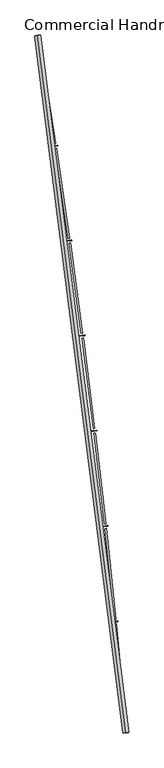
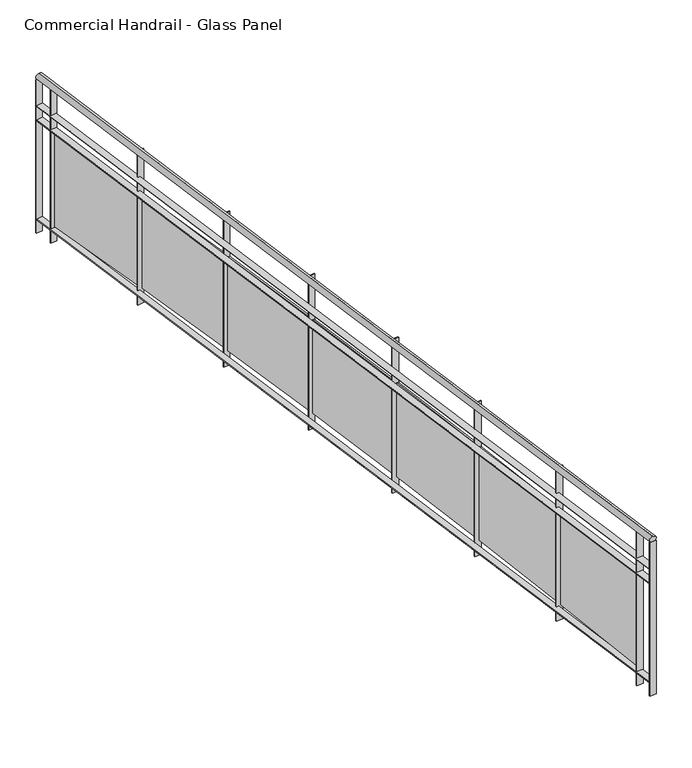
"""IFC4 building model written with IfcOpenShell, lengths in millimetres: railing geometry, Commercial Handrail - Glass Panel."""

from ifc_helpers import new_model, si_unit, point, frame, origin, place, context, project, spatial, polyline, circle_curve, ellipse_curve, trimmed, outline, extrude, source, transform, mapped, element, save
from ifc_brep_helpers import plane_surface, cylinder_surface, revolved_surface, advanced_brep


def commercial_handrail_glass_panel_9523c268(model_context):
    return source(origin(), model_context, "Body", "SolidModel", [
        advanced_brep(
        [(182571.9295754, -52879.5364282, 19682.5), (181834.8110467, -47067.1917957, 19682.5), (181834.8110467, -47067.1917957, 19717.5), (182571.9295754, -52879.5364282, 19717.5)],
        [
            (0, 1, circle_curve(frame((104368.4569212, -59844.3474174, 19682.5), z_axis=(0.0, 0.0, 1.0), x_axis=(0.9866690945138685, 0.16273935581531185, 0.0)), 78513.0035554)),
            (1, 2, ellipse_curve(frame((181834.8110467, -47067.1917957, 19700.0), z_axis=(0.16273935581530558, -0.9866690945138697, 0.0), x_axis=(-0.9866690945138695, -0.16273935581530555, 0.0)), 25.0, 17.5)),
            (2, 3, circle_curve(frame((104368.4569212, -59844.3474174, 19717.5), z_axis=(0.0, 0.0, -1.0), x_axis=(0.9866690945138685, 0.16273935581531185, 0.0)), 78513.0035554)),
            (3, 0, ellipse_curve(frame((182571.9295754, -52879.5364282, 19700.0), z_axis=(-0.08870901218759285, 0.9960575842574071, 0.0), x_axis=(-0.9960575842574071, -0.08870901218759285, 0.0)), 25.0, 17.5)),
            (2, 1, ellipse_curve(frame((181834.8110467, -47067.1917957, 19700.0), z_axis=(0.16273935581530558, -0.9866690945138697, 0.0), x_axis=(-0.9866690945138695, -0.16273935581530555, 0.0)), 25.0, 17.5)),
            (0, 3, ellipse_curve(frame((182571.9295754, -52879.5364282, 19700.0), z_axis=(-0.08870901218759285, 0.9960575842574071, 0.0), x_axis=(-0.9960575842574071, -0.08870901218759285, 0.0)), 25.0, 17.5)),
        ],
        [
            revolved_surface(trimmed(ellipse_curve(frame((181834.8110467, -47067.1917957, 19700.0), z_axis=(-0.16273935581531185, 0.9866690945138685, 0.0), x_axis=(0.0, 0.0, -1.0)), 17.5, 25.0), [point((181834.8110467, -47067.1917957, 19717.5))], [point((181834.8110467, -47067.1917957, 19682.5))], True, "CARTESIAN"), (104368.4569212, -59844.3474174, 19700.0), (0.0, 0.0, -1.0)),
            revolved_surface(trimmed(ellipse_curve(frame((181834.8110467, -47067.1917957, 19700.0), z_axis=(-0.16273935581531185, 0.9866690945138685, 0.0), x_axis=(0.0, 0.0, -1.0)), 17.5, 25.0), [point((181834.8110467, -47067.1917957, 19682.5))], [point((181834.8110467, -47067.1917957, 19717.5))], True, "CARTESIAN"), (104368.4569212, -59844.3474174, 19700.0), (0.0, 0.0, -1.0)),
            plane_surface(frame((181834.8110467, -47067.1917957, 19700.0), z_axis=(-0.16273935581531188, 0.9866690945138686, 0.0), x_axis=(0.9866690945138686, 0.16273935581531188, 0.0))),
            plane_surface(frame((182571.9295754, -52879.5364282, 19700.0), z_axis=(0.08870901218759289, -0.9960575842574071, 0.0), x_axis=(0.9960575842574071, 0.08870901218759289, 0.0))),
        ],
        [
            (0, [[1, 2, 3, 4]]),
            (1, [[-3, 5, -1, 6]]),
            (2, [[-2, -5]]),
            (3, [[-6, -4]]),
        ],
    ),
        advanced_brep(
        [(182594.340871, -52877.5404754, 19500.0), (181857.0111014, -47063.5301602, 19500.0), (181812.6109921, -47070.8534312, 19500.0), (182549.5182797, -52881.5323809, 19500.0), (182594.340871, -52877.5404754, 19494.0), (181857.0111014, -47063.5301602, 19494.0), (182549.5182797, -52881.5323809, 19494.0), (181812.6109921, -47070.8534312, 19494.0)],
        [
            (0, 1, circle_curve(frame((104368.4569212, -59844.3474174, 19500.0), z_axis=(0.0, 0.0, 1.0), x_axis=(0.9866690945138685, 0.16273935581531185, 0.0)), 78535.5035554)),
            (1, 2),
            (2, 3, circle_curve(frame((104368.4569212, -59844.3474174, 19500.0), z_axis=(0.0, 0.0, -1.0), x_axis=(0.9866690945138685, 0.16273935581531185, 0.0)), 78490.5035554)),
            (3, 0),
            (4, 5, circle_curve(frame((104368.4569212, -59844.3474174, 19494.0), z_axis=(0.0, 0.0, 1.0), x_axis=(0.9866690945138685, 0.16273935581531185, 0.0)), 78535.5035554)),
            (5, 1),
            (0, 4),
            (6, 7, circle_curve(frame((104368.4569212, -59844.3474174, 19494.0), z_axis=(0.0, 0.0, 1.0), x_axis=(0.9866690945138685, 0.16273935581531185, 0.0)), 78490.5035554)),
            (7, 5),
            (4, 6),
            (2, 7),
            (6, 3),
        ],
        [
            plane_surface(frame((104368.4569212, -59844.3474174, 19500.0), z_axis=(0.0, 0.0, 1.0000000000000002), x_axis=(0.9866690945138686, 0.16273935581531188, 0.0))),
            cylinder_surface(frame((104368.4569212, -59844.3474174, 19500.0), z_axis=(0.0, 0.0, -1.0), x_axis=(0.9866690945138685, 0.16273935581531185, 0.0)), 78535.5035554),
            plane_surface(frame((104368.4569212, -59844.3474174, 19494.0), z_axis=(0.0, 0.0, -1.0000000000000002), x_axis=(0.9866690945138686, 0.16273935581531188, 0.0))),
            revolved_surface(polyline([(181812.6109921441, -47070.85343117476, 19494.0), (181812.6109921441, -47070.85343117476, 19500.0)]), (104368.4569212, -59844.3474174, 19500.0), (0.0, 0.0, -1.0)),
            plane_surface(frame((181834.8110467, -47067.1917957, 19500.0), z_axis=(-0.16273935581531188, 0.9866690945138686, 0.0), x_axis=(0.9866690945138686, 0.16273935581531188, 0.0))),
            plane_surface(frame((182571.9295754, -52879.5364282, 19500.0), z_axis=(0.08870901218759289, -0.9960575842574071, 0.0), x_axis=(0.9960575842574071, 0.08870901218759289, 0.0))),
        ],
        [
            (0, [[1, 2, 3, 4]]),
            (1, [[5, 6, -1, 7]]),
            (2, [[8, 9, -5, 10]]),
            (3, [[-3, 11, -8, 12]]),
            (4, [[-2, -6, -9, -11]]),
            (5, [[-12, -10, -7, -4]]),
        ],
    ),
        advanced_brep(
        [(182594.340871, -52877.5404754, 19400.0), (181857.0111014, -47063.5301602, 19400.0), (181812.6109921, -47070.8534312, 19400.0), (182549.5182797, -52881.5323809, 19400.0), (182594.340871, -52877.5404754, 19394.0), (181857.0111014, -47063.5301602, 19394.0), (182549.5182797, -52881.5323809, 19394.0), (181812.6109921, -47070.8534312, 19394.0)],
        [
            (0, 1, circle_curve(frame((104368.4569212, -59844.3474174, 19400.0), z_axis=(0.0, 0.0, 1.0), x_axis=(0.9866690945138685, 0.16273935581531185, 0.0)), 78535.5035554)),
            (1, 2),
            (2, 3, circle_curve(frame((104368.4569212, -59844.3474174, 19400.0), z_axis=(0.0, 0.0, -1.0), x_axis=(0.9866690945138685, 0.16273935581531185, 0.0)), 78490.5035554)),
            (3, 0),
            (4, 5, circle_curve(frame((104368.4569212, -59844.3474174, 19394.0), z_axis=(0.0, 0.0, 1.0), x_axis=(0.9866690945138685, 0.16273935581531185, 0.0)), 78535.5035554)),
            (5, 1),
            (0, 4),
            (6, 7, circle_curve(frame((104368.4569212, -59844.3474174, 19394.0), z_axis=(0.0, 0.0, 1.0), x_axis=(0.9866690945138685, 0.16273935581531185, 0.0)), 78490.5035554)),
            (7, 5),
            (4, 6),
            (2, 7),
            (6, 3),
        ],
        [
            plane_surface(frame((104368.4569212, -59844.3474174, 19400.0), z_axis=(0.0, 0.0, 1.0000000000000002), x_axis=(0.9866690945138686, 0.16273935581531188, 0.0))),
            cylinder_surface(frame((104368.4569212, -59844.3474174, 19400.0), z_axis=(0.0, 0.0, -1.0), x_axis=(0.9866690945138685, 0.16273935581531185, 0.0)), 78535.5035554),
            plane_surface(frame((104368.4569212, -59844.3474174, 19394.0), z_axis=(0.0, 0.0, -1.0000000000000002), x_axis=(0.9866690945138686, 0.16273935581531188, 0.0))),
            revolved_surface(polyline([(181812.6109921441, -47070.85343117476, 19394.0), (181812.6109921441, -47070.85343117476, 19400.0)]), (104368.4569212, -59844.3474174, 19400.0), (0.0, 0.0, -1.0)),
            plane_surface(frame((181834.8110467, -47067.1917957, 19400.0), z_axis=(-0.16273935581531188, 0.9866690945138686, 0.0), x_axis=(0.9866690945138686, 0.16273935581531188, 0.0))),
            plane_surface(frame((182571.9295754, -52879.5364282, 19400.0), z_axis=(0.08870901218759289, -0.9960575842574071, 0.0), x_axis=(0.9960575842574071, 0.08870901218759289, 0.0))),
        ],
        [
            (0, [[1, 2, 3, 4]]),
            (1, [[5, 6, -1, 7]]),
            (2, [[8, 9, -5, 10]]),
            (3, [[-3, 11, -8, 12]]),
            (4, [[-2, -6, -9, -11]]),
            (5, [[-12, -10, -7, -4]]),
        ],
    ),
        advanced_brep(
        [(182594.340871, -52877.5404754, 18700.0), (181857.0111014, -47063.5301602, 18700.0), (181812.6109921, -47070.8534312, 18700.0), (182549.5182797, -52881.5323809, 18700.0), (182594.340871, -52877.5404754, 18694.0), (181857.0111014, -47063.5301602, 18694.0), (182549.5182797, -52881.5323809, 18694.0), (181812.6109921, -47070.8534312, 18694.0)],
        [
            (0, 1, circle_curve(frame((104368.4569212, -59844.3474174, 18700.0), z_axis=(0.0, 0.0, 1.0), x_axis=(0.9866690945138685, 0.16273935581531185, 0.0)), 78535.5035554)),
            (1, 2),
            (2, 3, circle_curve(frame((104368.4569212, -59844.3474174, 18700.0), z_axis=(0.0, 0.0, -1.0), x_axis=(0.9866690945138685, 0.16273935581531185, 0.0)), 78490.5035554)),
            (3, 0),
            (4, 5, circle_curve(frame((104368.4569212, -59844.3474174, 18694.0), z_axis=(0.0, 0.0, 1.0), x_axis=(0.9866690945138685, 0.16273935581531185, 0.0)), 78535.5035554)),
            (5, 1),
            (0, 4),
            (6, 7, circle_curve(frame((104368.4569212, -59844.3474174, 18694.0), z_axis=(0.0, 0.0, 1.0), x_axis=(0.9866690945138685, 0.16273935581531185, 0.0)), 78490.5035554)),
            (7, 5),
            (4, 6),
            (2, 7),
            (6, 3),
        ],
        [
            plane_surface(frame((104368.4569212, -59844.3474174, 18700.0), z_axis=(0.0, 0.0, 1.0000000000000002), x_axis=(0.9866690945138686, 0.16273935581531188, 0.0))),
            cylinder_surface(frame((104368.4569212, -59844.3474174, 18700.0), z_axis=(0.0, 0.0, -1.0), x_axis=(0.9866690945138685, 0.16273935581531185, 0.0)), 78535.5035554),
            plane_surface(frame((104368.4569212, -59844.3474174, 18694.0), z_axis=(0.0, 0.0, -1.0000000000000002), x_axis=(0.9866690945138686, 0.16273935581531188, 0.0))),
            revolved_surface(polyline([(181812.6109921441, -47070.85343117476, 18694.0), (181812.6109921441, -47070.85343117476, 18700.0)]), (104368.4569212, -59844.3474174, 18700.0), (0.0, 0.0, -1.0)),
            plane_surface(frame((181834.8110467, -47067.1917957, 18700.0), z_axis=(-0.16273935581531188, 0.9866690945138686, 0.0), x_axis=(0.9866690945138686, 0.16273935581531188, 0.0))),
            plane_surface(frame((182571.9295754, -52879.5364282, 18700.0), z_axis=(0.08870901218759289, -0.9960575842574071, 0.0), x_axis=(0.9960575842574071, 0.08870901218759289, 0.0))),
        ],
        [
            (0, [[1, 2, 3, 4]]),
            (1, [[5, 6, -1, 7]]),
            (2, [[8, 9, -5, 10]]),
            (3, [[-3, 11, -8, 12]]),
            (4, [[-2, -6, -9, -11]]),
            (5, [[-12, -10, -7, -4]]),
        ],
    ),
        extrude(outline(polyline([(182537.5994721, -52748.9749653), (182582.4153855, -52744.9087751), (182582.9575442, -52750.8842302), (182538.1416308, -52754.9504204), (182537.5994721, -52748.9749653)])), frame((0.0, 0.0, 18600.0), z_axis=(0.0, 0.0, 1.0), x_axis=(1.0, 0.0, 0.0)), (0.0, 0.0, 1.0), 1082.1192282),
        extrude(outline(polyline([(182492.8282703, -51972.8214769), (182565.3569267, -52729.3527677), (182553.4116957, -52730.497957), (182480.8830394, -51973.9666662), (182492.8282703, -51972.8214769)])), frame((0.0, 0.0, 18720.0), z_axis=(0.0, 0.0, 1.0), x_axis=(1.0, 0.0, 0.0)), (0.0, 0.0, 1.0), 660.0),
        extrude(outline(polyline([(182461.2452987, -51952.8608143), (182506.0174543, -51948.3381961), (182506.6204701, -51954.3078168), (182461.8483144, -51958.830435), (182461.2452987, -51952.8608143)])), frame((0.0, 0.0, 18600.0), z_axis=(0.0, 0.0, 1.0), x_axis=(1.0, 0.0, 0.0)), (0.0, 0.0, 1.0), 1082.1192282),
        extrude(outline(polyline([(182408.5680235, -51177.2038007), (182488.8013774, -51932.9568086), (182476.8684352, -51934.223651), (182396.6350812, -51178.4706431), (182408.5680235, -51177.2038007)])), frame((0.0, 0.0, 18720.0), z_axis=(0.0, 0.0, 1.0), x_axis=(1.0, 0.0, 0.0)), (0.0, 0.0, 1.0), 660.0),
        extrude(outline(polyline([(182376.7833078, -51157.5659801), (182421.5070573, -51152.5874034), (182422.1708676, -51158.55057), (182377.447118, -51163.5291467), (182376.7833078, -51157.5659801)])), frame((0.0, 0.0, 18600.0), z_axis=(0.0, 0.0, 1.0), x_axis=(1.0, 0.0, 0.0)), (0.0, 0.0, 1.0), 1082.1192282),
        extrude(outline(polyline([(182316.2054283, -50382.4859723), (182404.1351498, -51137.3822327), (182392.2157352, -51138.7705968), (182304.2860136, -50383.8743363), (182316.2054283, -50382.4859723)])), frame((0.0, 0.0, 18720.0), z_axis=(0.0, 0.0, 1.0), x_axis=(1.0, 0.0, 0.0)), (0.0, 0.0, 1.0), 660.0),
        extrude(outline(polyline([(182284.2222685, -50363.1730325), (182328.8929686, -50357.7390141), (182329.6175044, -50363.6951075), (182284.9468043, -50369.1291258), (182284.2222685, -50363.1730325)])), frame((0.0, 0.0, 18600.0), z_axis=(0.0, 0.0, 1.0), x_axis=(1.0, 0.0, 0.0)), (0.0, 0.0, 1.0), 1082.1192282),
        extrude(outline(polyline([(182215.750074, -49588.7505014), (182311.3670341, -50342.711639), (182299.4623845, -50344.2213805), (182203.8454245, -49590.2602429), (182215.750074, -49588.7505014)])), frame((0.0, 0.0, 18720.0), z_axis=(0.0, 0.0, 1.0), x_axis=(1.0, 0.0, 0.0)), (0.0, 0.0, 1.0), 660.0),
        extrude(outline(polyline([(182183.5717908, -49569.7644476), (182228.1848036, -49563.8755518), (182228.9699897, -49569.8239535), (182184.3569769, -49575.7128493), (182183.5717908, -49569.7644476)])), frame((0.0, 0.0, 18600.0), z_axis=(0.0, 0.0, 1.0), x_axis=(1.0, 0.0, 0.0)), (0.0, 0.0, 1.0), 1082.1192282),
        extrude(outline(polyline([(182107.2123904, -48796.0797961), (182210.5066616, -49549.0275324), (182198.6180132, -49550.6584945), (182095.3237419, -48797.7107583), (182107.2123904, -48796.0797961)])), frame((0.0, 0.0, 18720.0), z_axis=(0.0, 0.0, 1.0), x_axis=(1.0, 0.0, 0.0)), (0.0, 0.0, 1.0), 660.0),
        extrude(outline(polyline([(182074.8423245, -48777.4225994), (182119.3930181, -48771.0794376), (182120.238773, -48777.0195301), (182075.6880794, -48783.3626919), (182074.8423245, -48777.4225994)])), frame((0.0, 0.0, 18600.0), z_axis=(0.0, 0.0, 1.0), x_axis=(1.0, 0.0, 0.0)), (0.0, 0.0, 1.0), 1082.1192282),
        extrude(outline(polyline([(181990.6036459, -48004.5561536), (182101.5645041, -48756.4123154), (182089.6930911, -48758.1643289), (181978.7322329, -48006.3081672), (181990.6036459, -48004.5561536)])), frame((0.0, 0.0, 18720.0), z_axis=(0.0, 0.0, 1.0), x_axis=(1.0, 0.0, 0.0)), (0.0, 0.0, 1.0), 660.0),
        extrude(outline(polyline([(181958.0451582, -47986.2297512), (182002.5289072, -47979.4329819), (182003.4351431, -47985.3641484), (181958.9513941, -47992.1609177), (181958.0451582, -47986.2297512)])), frame((0.0, 0.0, 18600.0), z_axis=(0.0, 0.0, 1.0), x_axis=(1.0, 0.0, 0.0)), (0.0, 0.0, 1.0), 1082.1192282),
        extrude(outline(polyline([(181865.9359474, -47214.2617523), (181984.5518723, -47964.9482797), (181972.6989271, -47966.8211627), (181854.0830022, -47216.1346353), (181865.9359474, -47214.2617523)])), frame((0.0, 0.0, 18720.0), z_axis=(0.0, 0.0, 1.0), x_axis=(1.0, 0.0, 0.0)), (0.0, 0.0, 1.0), 660.0),
        extrude(outline(polyline([(181833.1924181, -47196.2680467), (181877.6046042, -47189.0183756), (181878.571227, -47194.9400004), (181834.1590409, -47202.1896715), (181833.1924181, -47196.2680467)])), frame((0.0, 0.0, 18600.0), z_axis=(0.0, 0.0, 1.0), x_axis=(1.0, 0.0, 0.0)), (0.0, 0.0, 1.0), 1082.1192282),
        extrude(outline(polyline([(182549.2521527, -52878.5442082), (182594.074744, -52874.5523026), (182594.606998, -52880.5286481), (182549.7844067, -52884.5205537), (182549.2521527, -52878.5442082)])), frame((0.0, 0.0, 18600.0), z_axis=(0.0, 0.0, 1.0), x_axis=(1.0, 0.0, 0.0)), (0.0, 0.0, 1.0), 1082.1192282),
        extrude(outline(polyline([(181812.122774, -47067.8934239), (181856.5228833, -47060.5701529), (181857.4993194, -47066.4901675), (181813.0992102, -47073.8134385), (181812.122774, -47067.8934239)])), frame((0.0, 0.0, 18600.0), z_axis=(0.0, 0.0, 1.0), x_axis=(1.0, 0.0, 0.0)), (0.0, 0.0, 1.0), 1082.1192282),
    ])


if __name__ == "__main__":
    model = new_model("IFC4")
    model_context = context("Model", 3, world=origin())
    ifc_project = project(units=[si_unit("LENGTHUNIT", "METRE", prefix="MILLI")], contexts=[model_context])
    site = spatial("IfcSite", under=ifc_project)
    building = spatial("IfcBuilding", under=site)
    placement = place(None, origin())
    commercial_handrail_glass_panel_shape = commercial_handrail_glass_panel_9523c268(model_context)
    element("IfcRailing", 1, ObjectType="Commercial Handrail - Glass Panel", at=placement, inside=building, context=model_context, shape_type="MappedRepresentation", body=[
        mapped(commercial_handrail_glass_panel_shape, transform((0.0, 0.0, 0.0), x_axis=(1.0, 0.0, 0.0), y_axis=(0.0, 1.0, 0.0), z_axis=(0.0, 0.0, 1.0))),
    ])
    save(model, "model.ifc")
